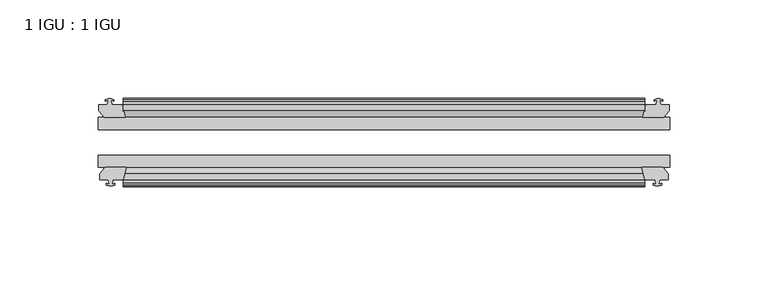
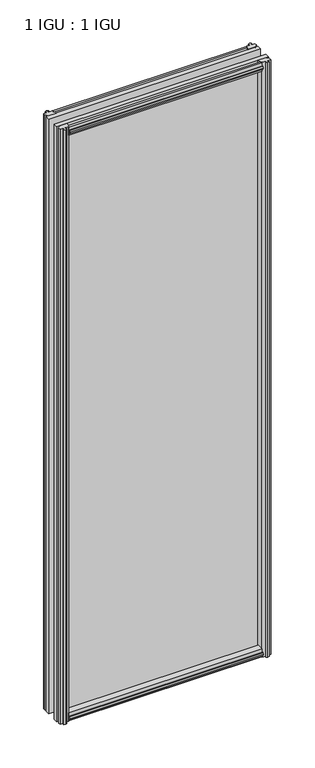
"""IFC4 building model written with IfcOpenShell, lengths in millimetres: plate geometry, 1 IGU : 1 IGU."""

import ifcopenshell
import ifcopenshell.guid

model = None  # the IFC model being written
_history = None  # IfcOwnerHistory: only IFC2X3 demands one
_inside = {}  # id of a spatial element -> (the spatial element, [elements in it])
_under = {}  # id of a project, library or spatial element -> (it, [spatial elements below it])
_declared = {}  # id of a project -> (the project, [libraries it declares])
_typed = {}  # id of a type object -> (the type object, [elements of that type])
_made_of = {}  # id of a material, layer set ... -> (it, [elements and type objects made of it])


def new_model(schema):
    """Start an empty IFC model of exactly this schema.

    Asked for "IFC4X3", IfcOpenShell would pick the latest addendum, in which some entities
    have other attributes; the version numbers below select the first issue.
    IFC2X3 requires an IfcOwnerHistory on every rooted entity: one is made here for all.
    """
    global model, _history
    if schema == "IFC4X3":
        model = ifcopenshell.file(schema_version=(4, 3, 0, 0))
    else:
        model = ifcopenshell.file(schema=schema)
    _inside.clear()
    _under.clear()
    _declared.clear()
    _typed.clear()
    _made_of.clear()
    _history = None
    if model.schema == "IFC2X3":
        org = make("IfcOrganization", Name="unknown")
        user = make(
            "IfcPersonAndOrganization",
            ThePerson=make("IfcPerson", FamilyName="unknown"),
            TheOrganization=org,
        )
        app = make(
            "IfcApplication",
            ApplicationDeveloper=org,
            Version="unknown",
            ApplicationFullName="unknown",
            ApplicationIdentifier="unknown",
        )
        _history = make(
            "IfcOwnerHistory",
            OwningUser=user,
            OwningApplication=app,
            ChangeAction="ADDED",
            CreationDate=0,
        )
    return model


def make(cls, **values):
    """One entity of the class cls with the attributes given. An attribute that is None is left unset."""
    return model.create_entity(
        cls, **{name: value for name, value in values.items() if value is not None}
    )


def rooted(cls, **values):
    """An entity with a GlobalId (a new one), such as an element, a storey or a relation."""
    return make(cls, GlobalId=ifcopenshell.guid.new(), OwnerHistory=_history, **values)


def si_unit(unit_type, name, prefix=None):
    """IfcSIUnit, for example si_unit("LENGTHUNIT", "METRE", prefix="MILLI")."""
    return make("IfcSIUnit", UnitType=unit_type, Prefix=prefix, Name=name)


def assignment(units):
    """IfcUnitAssignment: the units of a project."""
    return None if units is None else make("IfcUnitAssignment", Units=units)


def point(xyz):
    """IfcCartesianPoint."""
    return None if xyz is None else make("IfcCartesianPoint", Coordinates=xyz)


def direction(xyz):
    """IfcDirection."""
    return None if xyz is None else make("IfcDirection", DirectionRatios=xyz)


def frame(location, z_axis=None, x_axis=None):
    """IfcAxis2Placement3D, a coordinate frame: its origin and axes. An axis left out is left unset."""
    return make(
        "IfcAxis2Placement3D",
        Location=point(location),
        Axis=direction(z_axis),
        RefDirection=direction(x_axis),
    )


def origin():
    """The frame at (0, 0, 0) with its axes left unset."""
    return frame((0.0, 0.0, 0.0))


def place(relative_to, where):
    """IfcLocalPlacement: puts the frame where relative to a parent placement (None: the world)."""
    return make(
        "IfcLocalPlacement", PlacementRelTo=relative_to, RelativePlacement=where
    )


def context(
    kind, dimensions, precision=None, world=None, true_north=None, identifier=None
):
    """IfcGeometricRepresentationContext, for example the 3D "Model" context."""
    return make(
        "IfcGeometricRepresentationContext",
        ContextIdentifier=identifier,
        ContextType=kind,
        CoordinateSpaceDimension=dimensions,
        Precision=precision,
        WorldCoordinateSystem=world,
        TrueNorth=true_north,
    )


def project(units=None, contexts=None):
    """IfcProject with its units and contexts."""
    return rooted(
        "IfcProject",
        Name="project",
        RepresentationContexts=contexts,
        UnitsInContext=assignment(units),
    )


def spatial(cls, under=None, at=None, **own):
    """A site, building, storey or space (cls), placed at a placement, below another one or the project."""
    s = rooted(cls, ObjectPlacement=at, **own)
    if under is not None:
        _under.setdefault(under.id(), (under, []))[1].append(s)
    return s


def polyline(points):
    """IfcPolyline through the points."""
    return make("IfcPolyline", Points=[point(p) for p in points])


def outline(outer, holes=None, kind="AREA"):
    """IfcArbitraryClosedProfileDef: a profile drawn as a closed curve; with holes, ...WithVoids."""
    if holes is None:
        return make("IfcArbitraryClosedProfileDef", ProfileType=kind, OuterCurve=outer)
    return make(
        "IfcArbitraryProfileDefWithVoids",
        ProfileType=kind,
        OuterCurve=outer,
        InnerCurves=holes,
    )


def extrude(swept, where, along, depth):
    """IfcExtrudedAreaSolid: the profile swept, set in the frame where, extruded along a direction by depth."""
    return make(
        "IfcExtrudedAreaSolid",
        SweptArea=swept,
        Position=where,
        ExtrudedDirection=direction(along),
        Depth=depth,
    )


def shape(context_of_items, identifier, shape_type, items):
    """IfcShapeRepresentation: the items that make up one representation, for example the "Body"."""
    return make(
        "IfcShapeRepresentation",
        ContextOfItems=context_of_items,
        RepresentationIdentifier=identifier,
        RepresentationType=shape_type,
        Items=items,
    )


def source(mapping_origin, context_of_items, identifier, shape_type, items):
    """IfcRepresentationMap: a shape defined once, which mapped items show again and again."""
    return make(
        "IfcRepresentationMap",
        MappingOrigin=mapping_origin,
        MappedRepresentation=shape(context_of_items, identifier, shape_type, items),
    )


def transform(
    local_origin,
    x_axis=None,
    y_axis=None,
    z_axis=None,
    scale=None,
    scale2=None,
    scale3=None,
    uniform=True,
):
    """IfcCartesianTransformationOperator3D, or its non-uniform kind. x_axis, y_axis, z_axis: its Axis1, 2, 3."""
    if uniform:
        return make(
            "IfcCartesianTransformationOperator3D",
            Axis1=direction(x_axis),
            Axis2=direction(y_axis),
            LocalOrigin=point(local_origin),
            Scale=scale,
            Axis3=direction(z_axis),
        )
    return make(
        "IfcCartesianTransformationOperator3DnonUniform",
        Axis1=direction(x_axis),
        Axis2=direction(y_axis),
        LocalOrigin=point(local_origin),
        Scale=scale,
        Axis3=direction(z_axis),
        Scale2=scale2,
        Scale3=scale3,
    )


def mapped(mapping_source, mapping_target):
    """IfcMappedItem: shows the shape of a source again, moved by a transform."""
    return make(
        "IfcMappedItem", MappingSource=mapping_source, MappingTarget=mapping_target
    )


def made_of(thing, what):
    """Note that an element or type object is made of a material, layer set ...; save() writes the relation."""
    if what is not None:
        _made_of.setdefault(what.id(), (what, []))[1].append(thing)
    return thing


def element(
    cls,
    number,
    at=None,
    inside=None,
    cuts=None,
    type_object=None,
    material=None,
    context=None,
    identifier="Body",
    shape_type=None,
    held_by="IfcProductDefinitionShape",
    body=None,
    shapes=None,
    **own,
):
    """One element of the class cls, such as IfcWall. Its Tag is "e" and its number.

    at: its placement. inside: the storey or other place that contains it. cuts: it is an
    opening in that element (IfcRelVoidsElement). A single representation is given by context,
    identifier, shape_type and body (its items); several are given by shapes. held_by: the class
    of the entity that holds the representations. save() writes the other relations.
    """
    e = rooted(cls, Tag="e%d" % number, ObjectPlacement=at, **own)
    if body is not None:
        shapes = [shape(context, identifier, shape_type, body)]
    if shapes is not None:
        e.Representation = make(held_by, Representations=shapes)
    if inside is not None:
        _inside.setdefault(inside.id(), (inside, []))[1].append(e)
    if cuts is not None:
        rooted(
            "IfcRelVoidsElement", RelatingBuildingElement=cuts, RelatedOpeningElement=e
        )
    if type_object is not None:
        _typed.setdefault(type_object.id(), (type_object, []))[1].append(e)
    return made_of(e, material)


def aggregate(whole, parts):
    """IfcRelAggregates: a whole, such as a stair, and the parts it consists of."""
    return rooted("IfcRelAggregates", RelatingObject=whole, RelatedObjects=parts)


def save(model, path):
    """Write the relations noted so far, then the file.

    IfcRelAggregates (storeys below a building ...), IfcRelContainedInSpatialStructure (elements
    in a storey), IfcRelDefinesByType, IfcRelAssociatesMaterial and IfcRelDeclares: one each for
    every whole, place, type object, material and project.
    """
    for whole, parts in _under.values():
        aggregate(whole, parts)
    for where, things in _inside.values():
        rooted(
            "IfcRelContainedInSpatialStructure",
            RelatedElements=things,
            RelatingStructure=where,
        )
    for kind, things in _typed.values():
        rooted("IfcRelDefinesByType", RelatedObjects=things, RelatingType=kind)
    for what, things in _made_of.values():
        rooted("IfcRelAssociatesMaterial", RelatedObjects=things, RelatingMaterial=what)
    for by, libraries in _declared.values():
        rooted("IfcRelDeclares", RelatingContext=by, RelatedDefinitions=libraries)
    model.write(path)


def plate_1_igu_1_igu_f1a76139(model_context):
    return source(origin(), model_context, "Body", "SweptSolid", [
        extrude(outline(polyline([(-25.8960937, 1.1970181), (-19.5460937, -0.5207), (-19.5460937, -5.7277), (-17.1658968, -6.1087), (-17.62583, -4.6931709), (-16.8246158, -4.6931709), (-16.1170937, -6.8707), (-16.8246158, -9.0482291), (-17.62583, -9.0482291), (-17.1658968, -7.6327), (-19.5460937, -8.0137), (-19.5460937, -12.4587), (-22.4924937, -12.4587), (-25.8960937, -9.6243578), (-25.8960937, 1.1970181)])), frame((-132.8801766, 0.0, 0.0), z_axis=(1.0, 0.0, 0.0), x_axis=(0.0, 1.0, 0.0)), (0.0, 0.0, 1.0), 265.7603532),
        extrude(outline(polyline([(-51.2960937, 1.7177181), (-51.2960937, -9.1036578), (-54.6996937, -11.938), (-57.6460937, -11.938), (-57.6460937, -7.493), (-60.0262907, -7.112), (-59.5663575, -8.5275291), (-60.3675717, -8.5275291), (-61.0750937, -6.35), (-60.3675717, -4.1724709), (-59.5663575, -4.1724709), (-60.0262907, -5.588), (-57.6460937, -5.207), (-57.6460937, 0.0), (-51.2960937, 1.7177181)])), frame((-132.8801766, 0.0, 0.0), z_axis=(1.0, 0.0, 0.0), x_axis=(0.0, 1.0, 0.0)), (0.0, 0.0, 1.0), 265.7603532),
        extrude(outline(polyline([(-57.6460937, 850.138), (-54.6996937, 850.138), (-51.2960937, 847.3036578), (-51.2960937, 836.4822819), (-57.6460937, 838.2), (-57.6460937, 843.407), (-60.0262907, 843.788), (-59.5663575, 842.3724709), (-60.3675717, 842.3724709), (-61.0750937, 844.55), (-60.3675717, 846.727529), (-59.5663575, 846.727529), (-60.0262907, 845.312), (-57.6460937, 845.693), (-57.6460937, 850.138)])), frame((-132.8801766, 0.0, 0.0), z_axis=(1.0, 0.0, 0.0), x_axis=(0.0, 1.0, 0.0)), (0.0, 0.0, 1.0), 265.7603532),
        extrude(outline(polyline([(-19.5460937, 850.6587), (-19.5460937, 846.2137), (-17.1658968, 845.8327), (-17.62583, 847.248229), (-16.8246158, 847.248229), (-16.1170937, 845.0707), (-16.8246158, 842.8931709), (-17.62583, 842.8931709), (-17.1658968, 844.3087), (-19.5460937, 843.9277), (-19.5460937, 838.7207), (-25.8960937, 837.0029819), (-25.8960937, 847.8243578), (-22.4924937, 850.6587), (-19.5460937, 850.6587)])), frame((-132.8801766, 0.0, 0.0), z_axis=(1.0, 0.0, 0.0), x_axis=(0.0, 1.0, 0.0)), (0.0, 0.0, 1.0), 265.7603532),
        extrude(outline(polyline([(-139.7508766, -16.1170937), (-137.5733475, -16.8246158), (-137.5733475, -17.62583), (-138.9888766, -17.1658968), (-138.6078766, -19.5460937), (-133.4008766, -19.5460937), (-131.6831585, -25.8960937), (-142.5045344, -25.8960937), (-145.3388766, -22.4924937), (-145.3388766, -19.5460937), (-140.8938766, -19.5460937), (-140.5128766, -17.1658968), (-141.9284056, -17.62583), (-141.9284056, -16.8246158), (-139.7508766, -16.1170937)])), frame((0.0, 0.0, -12.7), z_axis=(0.0, 0.0, 1.0), x_axis=(1.0, 0.0, 0.0)), (0.0, 0.0, 1.0), 863.6),
        extrude(outline(polyline([(-139.2301766, -61.0750938), (-141.4077056, -60.3675717), (-141.4077056, -59.5663575), (-139.9921766, -60.0262907), (-140.3731766, -57.6460938), (-144.8181766, -57.6460938), (-144.8181766, -54.6996938), (-141.9838344, -51.2960937), (-131.1624585, -51.2960937), (-132.8801766, -57.6460938), (-138.0871766, -57.6460938), (-138.4681766, -60.0262907), (-137.0526475, -59.5663575), (-137.0526475, -60.3675717), (-139.2301766, -61.0750938)])), frame((0.0, 0.0, -12.7), z_axis=(0.0, 0.0, 1.0), x_axis=(1.0, 0.0, 0.0)), (0.0, 0.0, 1.0), 863.6),
        extrude(outline(polyline([(138.6078766, -19.5460937), (138.9888766, -17.1658968), (137.5733475, -17.62583), (137.5733475, -16.8246158), (139.7508766, -16.1170937), (141.9284056, -16.8246158), (141.9284056, -17.62583), (140.5128766, -17.1658968), (140.8938766, -19.5460937), (145.3388766, -19.5460937), (145.3388766, -22.4924937), (142.5045344, -25.8960937), (131.6831585, -25.8960937), (133.4008766, -19.5460937), (138.6078766, -19.5460937)])), frame((0.0, 0.0, -12.7), z_axis=(0.0, 0.0, 1.0), x_axis=(1.0, 0.0, 0.0)), (0.0, 0.0, 1.0), 863.6),
        extrude(outline(polyline([(141.9838344, -51.2960937), (144.8181766, -54.6996937), (144.8181766, -57.6460937), (140.3731766, -57.6460937), (139.9921766, -60.0262907), (141.4077056, -59.5663575), (141.4077056, -60.3675717), (139.2301766, -61.0750937), (137.0526475, -60.3675717), (137.0526475, -59.5663575), (138.4681766, -60.0262907), (138.0871766, -57.6460937), (132.8801766, -57.6460937), (131.1624585, -51.2960937), (141.9838344, -51.2960937)])), frame((0.0, 0.0, -12.7), z_axis=(0.0, 0.0, 1.0), x_axis=(1.0, 0.0, 0.0)), (0.0, 0.0, 1.0), 863.6),
        extrude(outline(polyline([(-145.5801766, -25.8960937), (145.5801766, -25.8960937), (145.5801766, -32.2460937), (-145.5801766, -32.2460937), (-145.5801766, -25.8960937)])), frame((0.0, 0.0, -12.7), z_axis=(0.0, 0.0, 1.0), x_axis=(1.0, 0.0, 0.0)), (0.0, 0.0, 1.0), 863.6),
        extrude(outline(polyline([(145.5801766, -45.2686737), (145.5801766, -51.2960937), (-145.5801766, -51.2960937), (-145.5801766, -45.2686737), (145.5801766, -45.2686737)])), frame((0.0, 0.0, -12.7), z_axis=(0.0, 0.0, 1.0), x_axis=(1.0, 0.0, 0.0)), (0.0, 0.0, 1.0), 863.6),
    ])


if __name__ == "__main__":
    model = new_model("IFC4")
    model_context = context("Model", 3, world=origin())
    ifc_project = project(units=[si_unit("LENGTHUNIT", "METRE", prefix="MILLI")], contexts=[model_context])
    site = spatial("IfcSite", under=ifc_project)
    building = spatial("IfcBuilding", under=site)
    placement = place(None, origin())
    plate_1_igu_1_igu_shape = plate_1_igu_1_igu_f1a76139(model_context)
    element("IfcPlate", 1, ObjectType="1 IGU : 1 IGU", at=placement, inside=building, context=model_context, shape_type="MappedRepresentation", body=[
        mapped(plate_1_igu_1_igu_shape, transform((0.0, 0.0, 0.0), x_axis=(1.0, 0.0, 0.0), y_axis=(0.0, 1.0, 0.0), z_axis=(0.0, 0.0, 1.0))),
    ])
    save(model, "model.ifc")
